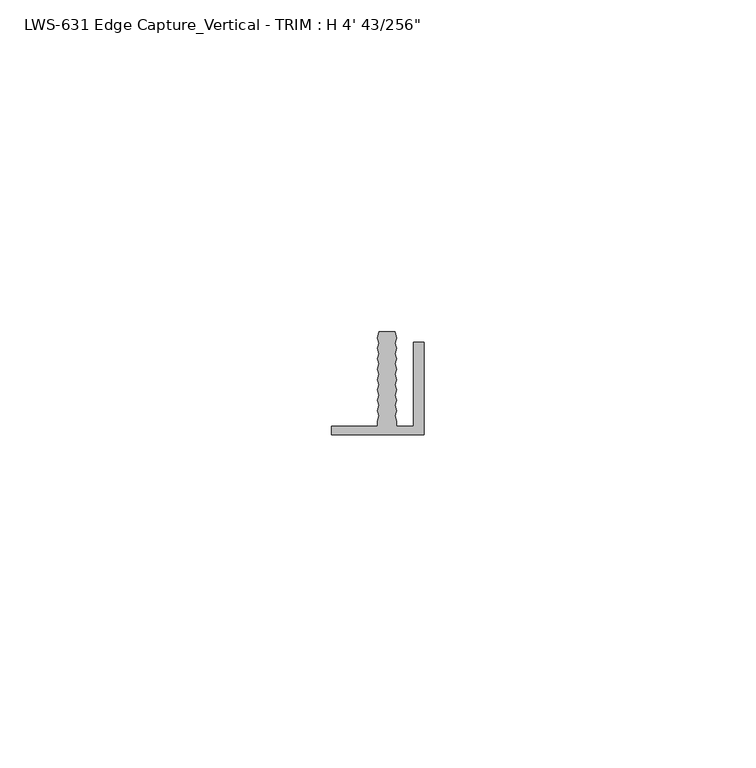
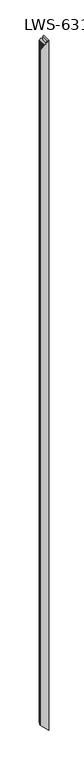
"""IFC4 building model written with IfcOpenShell, lengths in millimetres: proxy geometry."""

from ifc_helpers import new_model, si_unit, origin, place, context, project, spatial, faceted_brep, source, transform, mapped, element, save


def proxy_0476b417(model_context):
    return source(origin(), model_context, "Body", "Brep", [
        faceted_brep([(12.3825, 1.27, 1221.8789062), (12.3825, 1.27, 1.5875), (9.8425, 1.27, 4.1275), (9.8425, 1.27, 1219.3389063), (9.8425, 2.0903835, 4.1275), (9.8425, 2.0903835, 1219.3389063), (9.5885, 2.8721152, 4.3815), (9.5885, 2.8721152, 1219.0849063), (9.8425, 3.6538468, 4.1275), (9.8425, 3.6538468, 1219.3389063), (9.5885, 4.4355784, 4.3815), (9.5885, 4.4355784, 1219.0849063), (9.8425, 5.21731, 4.1275), (9.8425, 5.21731, 1219.3389063), (9.5885, 5.9990416, 4.3815), (9.5885, 5.9990416, 1219.0849063), (9.8425, 6.7807732, 4.1275), (9.8425, 6.7807732, 1219.3389063), (9.5885, 7.5625049, 4.3815), (9.5885, 7.5625049, 1219.0849063), (9.8425, 8.3442365, 4.1275), (9.8425, 8.3442365, 1219.3389063), (9.5885, 9.1259681, 4.3815), (9.5885, 9.1259681, 1219.0849063), (9.8425, 9.9076997, 4.1275), (9.8425, 9.9076997, 1219.3389063), (9.5885, 10.6894313, 4.3815), (9.5885, 10.6894313, 1219.0849063), (9.8425, 11.471163, 4.1275), (9.8425, 11.471163, 1219.3389063), (9.5885, 12.2528946, 4.3815), (9.5885, 12.2528946, 1219.0849063), (9.8425, 13.0346262, 4.1275), (9.8425, 13.0346262, 1219.3389063), (9.5885, 13.8163578, 4.3815), (9.5885, 13.8163578, 1219.0849063), (9.8425, 14.5980894, 4.1275), (9.8425, 14.5980894, 1219.3389063), (9.5885, 15.5575, 4.3815), (9.5885, 15.5575, 1219.0849063), (7.1755, 15.5575, 6.7945), (7.1755, 15.5575, 1216.6719063), (6.9215, 14.5980894, 7.0485), (6.9215, 14.5980894, 1216.4179063), (7.1755, 13.8163578, 6.7945), (7.1755, 13.8163578, 1216.6719063), (6.9215, 13.0346262, 7.0485), (6.9215, 13.0346262, 1216.4179063), (7.1755, 12.2528946, 6.7945), (7.1755, 12.2528946, 1216.6719063), (6.9215, 11.471163, 7.0485), (6.9215, 11.471163, 1216.4179063), (7.1755, 10.6894313, 6.7945), (7.1755, 10.6894313, 1216.6719063), (6.9215, 9.9076997, 7.0485), (6.9215, 9.9076997, 1216.4179063), (7.1755, 9.1259681, 6.7945), (7.1755, 9.1259681, 1216.6719063), (6.9215, 8.3442365, 7.0485), (6.9215, 8.3442365, 1216.4179063), (7.1755, 7.5625049, 6.7945), (7.1755, 7.5625049, 1216.6719063), (6.9215, 6.7807732, 7.0485), (6.9215, 6.7807732, 1216.4179063), (7.1755, 5.9990416, 6.7945), (7.1755, 5.9990416, 1216.6719063), (6.9215, 5.21731, 7.0485), (6.9215, 5.21731, 1216.4179063), (7.1755, 4.4355784, 6.7945), (7.1755, 4.4355784, 1216.6719063), (6.9215, 3.6538468, 7.0485), (6.9215, 3.6538468, 1216.4179063), (7.1755, 2.8721152, 6.7945), (7.1755, 2.8721152, 1216.6719063), (6.9215, 2.0903835, 7.0485), (6.9215, 2.0903835, 1216.4179063), (6.9215, 1.27, 7.0485), (6.9215, 1.27, 1216.4179063), (0.0, 1.27, 13.97), (0.0, 1.27, 1209.4964063), (0.0, 0.0, 13.97), (0.0, 0.0, 1209.4964063), (13.97, 0.0, 0.0), (13.97, 0.0, 1223.4664062), (13.97, 13.97, 0.0), (13.97, 13.97, 1223.4664062), (12.3825, 13.97, 1.5875), (12.3825, 13.97, 1221.8789062)], [[[0, 1, 2, 3]], [[3, 2, 4, 5]], [[5, 4, 6, 7]], [[7, 6, 8, 9]], [[9, 8, 10, 11]], [[11, 10, 12, 13]], [[13, 12, 14, 15]], [[15, 14, 16, 17]], [[17, 16, 18, 19]], [[19, 18, 20, 21]], [[21, 20, 22, 23]], [[23, 22, 24, 25]], [[25, 24, 26, 27]], [[27, 26, 28, 29]], [[29, 28, 30, 31]], [[31, 30, 32, 33]], [[33, 32, 34, 35]], [[35, 34, 36, 37]], [[37, 36, 38, 39]], [[39, 38, 40, 41]], [[41, 40, 42, 43]], [[43, 42, 44, 45]], [[45, 44, 46, 47]], [[47, 46, 48, 49]], [[49, 48, 50, 51]], [[51, 50, 52, 53]], [[53, 52, 54, 55]], [[55, 54, 56, 57]], [[57, 56, 58, 59]], [[59, 58, 60, 61]], [[61, 60, 62, 63]], [[63, 62, 64, 65]], [[65, 64, 66, 67]], [[67, 66, 68, 69]], [[69, 68, 70, 71]], [[71, 70, 72, 73]], [[73, 72, 74, 75]], [[75, 74, 76, 77]], [[77, 76, 78, 79]], [[79, 78, 80, 81]], [[82, 83, 81, 80]], [[83, 82, 84, 85]], [[85, 84, 86, 87]], [[1, 0, 87, 86]], [[0, 3, 5, 7, 9, 11, 13, 15, 17, 19, 21, 23, 25, 27, 29, 31, 33, 35, 37, 39, 41, 43, 45, 47, 49, 51, 53, 55, 57, 59, 61, 63, 65, 67, 69, 71, 73, 75, 77, 79, 81, 83, 85, 87]], [[2, 1, 86, 84, 82, 80, 78, 76, 74, 72, 70, 68, 66, 64, 62, 60, 58, 56, 54, 52, 50, 48, 46, 44, 42, 40, 38, 36, 34, 32, 30, 28, 26, 24, 22, 20, 18, 16, 14, 12, 10, 8, 6, 4]]]),
    ])


if __name__ == "__main__":
    model = new_model("IFC4")
    model_context = context("Model", 3, world=origin())
    ifc_project = project(units=[si_unit("LENGTHUNIT", "METRE", prefix="MILLI")], contexts=[model_context])
    site = spatial("IfcSite", under=ifc_project)
    building = spatial("IfcBuilding", under=site)
    placement = place(None, origin())
    proxy_shape = proxy_0476b417(model_context)
    element("IfcBuildingElementProxy", 1, Name="LWS-631 Edge Capture_Vertical - TRIM : H 4' 43/256\"", ObjectType="LWS-631 Edge Capture_Vertical - TRIM : H 4' 43/256\"", at=placement, inside=building, context=model_context, shape_type="MappedRepresentation", body=[
        mapped(proxy_shape, transform((0.0, 0.0, 0.0), x_axis=(1.0, 0.0, 0.0), y_axis=(0.0, 1.0, 0.0), z_axis=(0.0, 0.0, 1.0))),
    ])
    save(model, "model.ifc")
